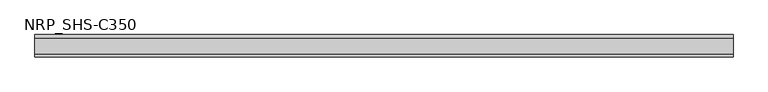
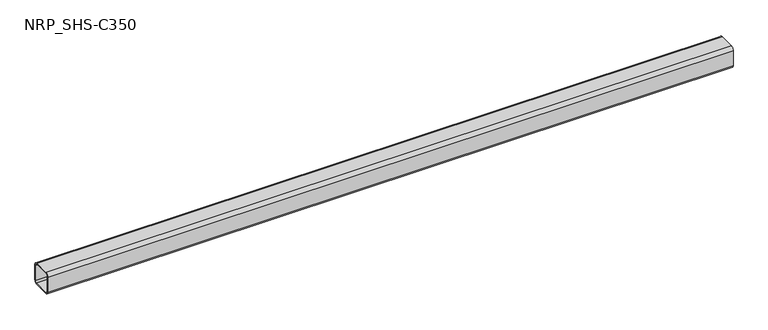
"""IFC4 building model written with IfcOpenShell, lengths in millimetres: member geometry, NRP_SHS-C350."""

from ifc_helpers import new_model, si_unit, point, frame, frame_2d, origin, place, context, project, spatial, polyline, circle_curve, trimmed, segment, composite_curve, outline, extrude, source, transform, mapped, element, save


def nrp_shs_c350_1976bb1f(model_context):
    return source(origin(), model_context, "Body", "SweptSolid", [
        extrude(outline(composite_curve([segment(polyline([(44.5, 32.0), (44.5, -32.0)]), True, "CONTINUOUS"), segment(trimmed(circle_curve(frame_2d((32.0, -32.0)), 12.5), [point((44.5, -32.0))], [point((32.0, -44.5))], False, "CARTESIAN"), True, "CONTINUOUS"), segment(polyline([(32.0, -44.5), (-32.0, -44.5)]), True, "CONTINUOUS"), segment(trimmed(circle_curve(frame_2d((-32.0, -32.0)), 12.5), [point((-32.0, -44.5))], [point((-44.5, -32.0))], False, "CARTESIAN"), True, "CONTINUOUS"), segment(polyline([(-44.5, -32.0), (-44.5, 32.0)]), True, "CONTINUOUS"), segment(trimmed(circle_curve(frame_2d((-32.0, 32.0)), 12.5), [point((-44.5, 32.0))], [point((-32.0, 44.5))], False, "CARTESIAN"), True, "CONTINUOUS"), segment(polyline([(-32.0, 44.5), (32.0, 44.5)]), True, "CONTINUOUS"), segment(trimmed(circle_curve(frame_2d((32.0, 32.0)), 12.5), [point((32.0, 44.5))], [point((44.5, 32.0))], False, "CARTESIAN"), True, "CONTINUOUS")], self_intersect=False), holes=[composite_curve([segment(trimmed(circle_curve(frame_2d((-32.0, 32.0)), 7.5), [point((-32.0, 39.5))], [point((-39.5, 32.0))], True, "CARTESIAN"), True, "CONTINUOUS"), segment(polyline([(-39.5, 32.0), (-39.5, -32.0)]), True, "CONTINUOUS"), segment(trimmed(circle_curve(frame_2d((-32.0, -32.0)), 7.5), [point((-39.5, -32.0))], [point((-32.0, -39.5))], True, "CARTESIAN"), True, "CONTINUOUS"), segment(polyline([(-32.0, -39.5), (32.0, -39.5)]), True, "CONTINUOUS"), segment(trimmed(circle_curve(frame_2d((32.0, -32.0)), 7.5), [point((32.0, -39.5))], [point((39.5, -32.0))], True, "CARTESIAN"), True, "CONTINUOUS"), segment(polyline([(39.5, -32.0), (39.5, 32.0)]), True, "CONTINUOUS"), segment(trimmed(circle_curve(frame_2d((32.0, 32.0)), 7.5), [point((39.5, 32.0))], [point((32.0, 39.5))], True, "CARTESIAN"), True, "CONTINUOUS"), segment(polyline([(32.0, 39.5), (-32.0, 39.5)]), True, "CONTINUOUS")], self_intersect=False)]), frame((-1383.0, 0.0, 0.0), z_axis=(1.0, 0.0, 0.0), x_axis=(0.0, 1.0, 0.0)), (0.0, 0.0, 1.0), 2755.0),
    ])


if __name__ == "__main__":
    model = new_model("IFC4")
    model_context = context("Model", 3, world=origin())
    ifc_project = project(units=[si_unit("LENGTHUNIT", "METRE", prefix="MILLI")], contexts=[model_context])
    site = spatial("IfcSite", under=ifc_project)
    building = spatial("IfcBuilding", under=site)
    placement = place(None, origin())
    nrp_shs_c350_shape = nrp_shs_c350_1976bb1f(model_context)
    element("IfcMember", 1, ObjectType="NRP_SHS-C350", at=placement, inside=building, context=model_context, shape_type="MappedRepresentation", body=[
        mapped(nrp_shs_c350_shape, transform((0.0, 0.0, 0.0), x_axis=(1.0, 0.0, 0.0), y_axis=(0.0, 1.0, 0.0), z_axis=(0.0, 0.0, 1.0))),
    ])
    save(model, "model.ifc")
